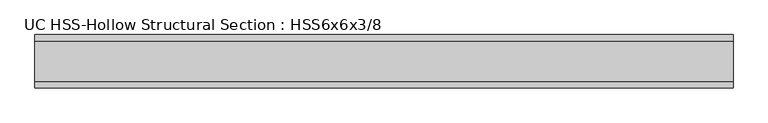
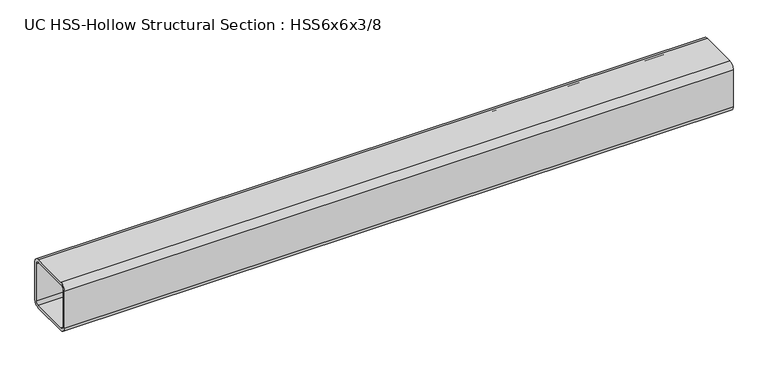
"""IFC4 building model written with IfcOpenShell, lengths in millimetres: beam geometry, UC HSS-Hollow Structural Section : HSS6x6x3/8."""

from ifc_helpers import new_model, si_unit, point, frame, frame_2d, origin, place, context, project, spatial, polyline, circle_curve, trimmed, segment, composite_curve, outline, extrude, source, transform, mapped, element, save


def uc_hss_hollow_structural_section_hss6x6x3_8_89efa987(model_context):
    return source(origin(), model_context, "Body", "SweptSolid", [
        extrude(outline(composite_curve([segment(polyline([(76.2, 58.4708), (76.2, -58.4708)]), True, "CONTINUOUS"), segment(trimmed(circle_curve(frame_2d((58.4708, -58.4708)), 17.7292), [point((76.2, -58.4708))], [point((58.4708, -76.2))], False, "CARTESIAN"), True, "CONTINUOUS"), segment(polyline([(58.4708, -76.2), (-58.4708, -76.2)]), True, "CONTINUOUS"), segment(trimmed(circle_curve(frame_2d((-58.4708, -58.4708)), 17.7292), [point((-58.4708, -76.2))], [point((-76.2, -58.4708))], False, "CARTESIAN"), True, "CONTINUOUS"), segment(polyline([(-76.2, -58.4708), (-76.2, 58.4708)]), True, "CONTINUOUS"), segment(trimmed(circle_curve(frame_2d((-58.4708, 58.4708)), 17.7292), [point((-76.2, 58.4708))], [point((-58.4708, 76.2))], False, "CARTESIAN"), True, "CONTINUOUS"), segment(polyline([(-58.4708, 76.2), (58.4708, 76.2)]), True, "CONTINUOUS"), segment(trimmed(circle_curve(frame_2d((58.4708, 58.4708)), 17.7292), [point((58.4708, 76.2))], [point((76.2, 58.4708))], False, "CARTESIAN"), True, "CONTINUOUS")], self_intersect=False), holes=[composite_curve([segment(trimmed(circle_curve(frame_2d((-58.4708, 58.4708)), 8.8646), [point((-58.4708, 67.3354))], [point((-67.3354, 58.4708))], True, "CARTESIAN"), True, "CONTINUOUS"), segment(polyline([(-67.3354, 58.4708), (-67.3354, -58.4708)]), True, "CONTINUOUS"), segment(trimmed(circle_curve(frame_2d((-58.4708, -58.4708)), 8.8646), [point((-67.3354, -58.4708))], [point((-58.4708, -67.3354))], True, "CARTESIAN"), True, "CONTINUOUS"), segment(polyline([(-58.4708, -67.3354), (58.4708, -67.3354)]), True, "CONTINUOUS"), segment(trimmed(circle_curve(frame_2d((58.4708, -58.4708)), 8.8646), [point((58.4708, -67.3354))], [point((67.3354, -58.4708))], True, "CARTESIAN"), True, "CONTINUOUS"), segment(polyline([(67.3354, -58.4708), (67.3354, 58.4708)]), True, "CONTINUOUS"), segment(trimmed(circle_curve(frame_2d((58.4708, 58.4708)), 8.8646), [point((67.3354, 58.4708))], [point((58.4708, 67.3354))], True, "CARTESIAN"), True, "CONTINUOUS"), segment(polyline([(58.4708, 67.3354), (-58.4708, 67.3354)]), True, "CONTINUOUS")], self_intersect=False)]), frame((-900.4773497, 0.0, 0.0), z_axis=(1.0, 0.0, 0.0), x_axis=(0.0, 1.0, 0.0)), (0.0, 0.0, 1.0), 1997.4309681),
    ])


if __name__ == "__main__":
    model = new_model("IFC4")
    model_context = context("Model", 3, world=origin())
    ifc_project = project(units=[si_unit("LENGTHUNIT", "METRE", prefix="MILLI")], contexts=[model_context])
    site = spatial("IfcSite", under=ifc_project)
    building = spatial("IfcBuilding", under=site)
    placement = place(None, origin())
    uc_hss_hollow_structural_section_hss6x6x3_8_shape = uc_hss_hollow_structural_section_hss6x6x3_8_89efa987(model_context)
    element("IfcBeam", 1, ObjectType="UC HSS-Hollow Structural Section : HSS6x6x3/8", at=placement, inside=building, context=model_context, shape_type="MappedRepresentation", body=[
        mapped(uc_hss_hollow_structural_section_hss6x6x3_8_shape, transform((0.0, 0.0, 0.0), x_axis=(1.0, 0.0, 0.0), y_axis=(0.0, 1.0, 0.0), z_axis=(0.0, 0.0, 1.0))),
    ])
    save(model, "model.ifc")
